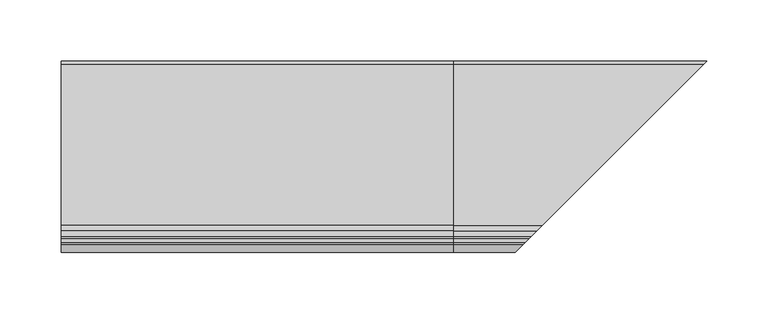
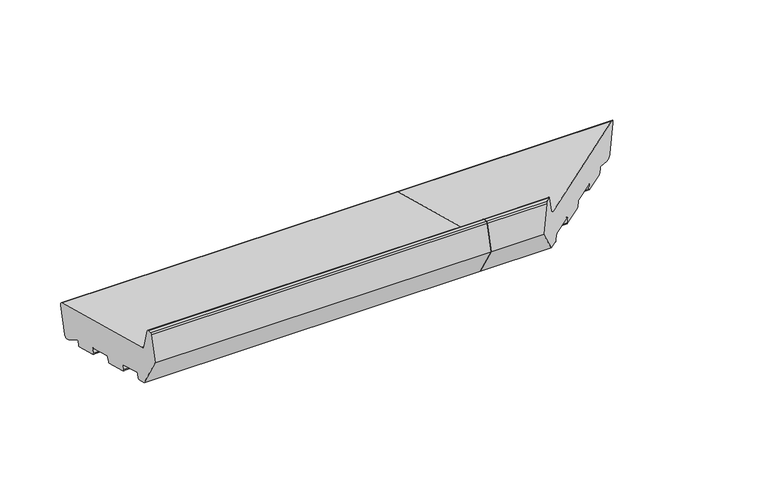
"""IFC4 building model written with IfcOpenShell, lengths in millimetres: proxy geometry."""

from ifc_helpers import new_model, si_unit, point, frame, frame_2d, origin, place, context, project, spatial, polyline, circle_curve, ellipse_curve, trimmed, segment, composite_curve, outline, extrude, source, transform, mapped, element, save
from ifc_brep_helpers import plane_surface, cylinder_surface, revolved_surface, advanced_brep


def generic_models_265c143c(model_context):
    return source(origin(), model_context, "Body", "SolidModel", [
        advanced_brep(
        [(320.0, 24.4386976, 5.4869469), (320.0, 21.7219201, 6.2149052), (320.0, 7.5536904, 14.8023515), (320.0, 6.0694345, 14.2059898), (320.0, 5.1201811, 10.6633278), (320.0, 3.8954362, 9.956221), (320.0, -18.3208578, 15.909059), (320.0, -19.0279645, 17.1338039), (320.0, -17.9926884, 20.9975072), (320.0, -18.6997951, 22.2222521), (320.0, -41.882015, 28.4339092), (320.0, -43.1067598, 27.7268024), (320.0, -44.142036, 23.8630991), (320.0, -45.3667809, 23.1559923), (320.0, -67.5830749, 29.1088303), (320.0, -68.2901817, 30.3335752), (320.0, -67.2549055, 34.1972785), (320.0, -67.9620123, 35.4220234), (320.0, -91.1442321, 41.6336805), (320.0, -92.368977, 40.9265737), (320.0, -93.4042532, 37.0628704), (320.0, -94.628998, 36.3557636), (320.0, -103.3223305, 38.685135), (320.0, -121.0, 69.3037568), (320.0, -114.4291321, 93.8265696), (320.0, -112.9802434, 94.9383411), (320.0, -109.6368689, 94.9383411), (320.0, -108.1879801, 93.8265696), (320.0, -103.4052841, 75.9773049), (320.0, -99.1626434, 71.7346642), (320.0, 32.7209071, 36.3965733), (320.0, 34.8422274, 32.7223387), (320.0, 28.1129323, 7.6082672), (519.1129323, 28.1129323, 7.6082672), (515.4386976, 24.4386976, 5.4869469), (525.8422274, 34.8422274, 32.7223387), (523.7209071, 32.7209071, 36.3965733), (391.8373566, -99.1626434, 71.7346642), (387.5947159, -103.4052841, 75.9773049), (382.8120199, -108.1879801, 93.8265696), (381.3631311, -109.6368689, 94.9383411), (378.0197566, -112.9802434, 94.9383411), (376.5708679, -114.4291321, 93.8265696), (370.0, -121.0, 69.3037568), (387.6776695, -103.3223305, 38.685135), (396.371002, -94.628998, 36.3557636), (397.5957468, -93.4042532, 37.0628704), (398.631023, -92.368977, 40.9265737), (399.8557679, -91.1442321, 41.6336805), (423.0379877, -67.9620123, 35.4220234), (423.7450945, -67.2549055, 34.1972785), (422.7098183, -68.2901817, 30.3335752), (423.4169251, -67.5830749, 29.1088303), (445.6332191, -45.3667809, 23.1559923), (446.857964, -44.142036, 23.8630991), (447.8932402, -43.1067598, 27.7268024), (449.117985, -41.882015, 28.4339092), (512.7219201, 21.7219201, 6.2149052), (472.3002049, -18.6997951, 22.2222521), (472.6791422, -18.3208578, 15.909059), (471.9720355, -19.0279645, 17.1338039), (473.0073116, -17.9926884, 20.9975072), (494.8954362, 3.8954362, 9.956221), (496.1201811, 5.1201811, 10.6633278), (497.0694345, 6.0694345, 14.2059898), (498.5536904, 7.5536904, 14.8023515)],
        [
            (0, 1),
            (1, 2),
            (2, 3, circle_curve(frame((320.0, 7.0353604, 13.9471708), z_axis=(1.0, 0.0, 0.0), x_axis=(0.0, 1.0, 0.0)), 1.0)),
            (3, 4),
            (4, 5, circle_curve(frame((320.0, 4.1542553, 10.9221468), z_axis=(-1.0, 0.0, 0.0), x_axis=(0.0, 1.0, 0.0)), 1.0)),
            (5, 6),
            (6, 7, circle_curve(frame((320.0, -18.0620387, 16.8749849), z_axis=(-1.0, 0.0, 0.0), x_axis=(0.0, 1.0, 0.0)), 1.0)),
            (7, 8),
            (8, 9, circle_curve(frame((320.0, -18.9586142, 21.2563263), z_axis=(1.0, 0.0, 0.0), x_axis=(0.0, 1.0, 0.0)), 1.0)),
            (9, 10),
            (10, 11, circle_curve(frame((320.0, -42.140834, 27.4679833), z_axis=(1.0, 0.0, 0.0), x_axis=(0.0, 1.0, 0.0)), 1.0)),
            (11, 12),
            (12, 13, circle_curve(frame((320.0, -45.1079618, 24.1219181), z_axis=(-1.0, 0.0, 0.0), x_axis=(0.0, 1.0, 0.0)), 1.0)),
            (13, 14),
            (14, 15, circle_curve(frame((320.0, -67.3242559, 30.0747562), z_axis=(-1.0, 0.0, 0.0), x_axis=(0.0, 1.0, 0.0)), 1.0)),
            (15, 16),
            (16, 17, circle_curve(frame((320.0, -68.2208313, 34.4560976), z_axis=(1.0, 0.0, 0.0), x_axis=(0.0, 1.0, 0.0)), 1.0)),
            (17, 18),
            (18, 19, circle_curve(frame((320.0, -91.4030512, 40.6677546), z_axis=(1.0, 0.0, 0.0), x_axis=(0.0, 1.0, 0.0)), 1.0)),
            (19, 20),
            (20, 21, circle_curve(frame((320.0, -94.370179, 37.3216894), z_axis=(-1.0, 0.0, 0.0), x_axis=(0.0, 1.0, 0.0)), 1.0)),
            (21, 22),
            (22, 23),
            (23, 24),
            (24, 25, circle_curve(frame((320.0, -112.9802434, 93.4383411), z_axis=(-1.0, 0.0, 0.0), x_axis=(0.0, 1.0, 0.0)), 1.5)),
            (25, 26),
            (26, 27, circle_curve(frame((320.0, -109.6368689, 93.4383411), z_axis=(-1.0, 0.0, 0.0), x_axis=(0.0, 1.0, 0.0)), 1.5)),
            (27, 28),
            (28, 29, circle_curve(frame((320.0, -97.6097291, 77.5302191), z_axis=(1.0, 0.0, 0.0), x_axis=(0.0, 1.0, 0.0)), 6.0)),
            (29, 30),
            (30, 31, circle_curve(frame((320.0, 31.94445, 33.4987958), z_axis=(-1.0, 0.0, 0.0), x_axis=(0.0, 1.0, 0.0)), 3.0)),
            (31, 32),
            (32, 0, circle_curve(frame((320.0, 25.2151548, 8.3847244), z_axis=(-1.0, 0.0, 0.0), x_axis=(0.0, 1.0, 0.0)), 3.0)),
            (32, 33),
            (33, 34, ellipse_curve(frame((516.2151548, 25.2151548, 8.3847244), z_axis=(-0.707106781186548, 0.7071067811865471, 0.0), x_axis=(0.707106781186547, 0.707106781186548, 0.0)), 4.2426407, 3.0)),
            (34, 0),
            (31, 35),
            (35, 33),
            (30, 36),
            (36, 35, ellipse_curve(frame((522.94445, 31.94445, 33.4987958), z_axis=(-0.707106781186548, 0.7071067811865471, 0.0), x_axis=(0.707106781186547, 0.707106781186548, 0.0)), 4.2426407, 3.0)),
            (29, 37),
            (37, 36),
            (28, 38),
            (38, 37, ellipse_curve(frame((393.3902709, -97.6097291, 77.5302191), z_axis=(0.707106781186548, -0.7071067811865471, 0.0), x_axis=(-0.707106781186547, -0.707106781186548, 0.0)), 8.4852814, 6.0)),
            (27, 39),
            (39, 38),
            (26, 40),
            (40, 39, ellipse_curve(frame((381.3631311, -109.6368689, 93.4383411), z_axis=(-0.707106781186548, 0.7071067811865471, 0.0), x_axis=(0.707106781186547, 0.707106781186548, 0.0)), 2.1213203, 1.5)),
            (25, 41),
            (41, 40),
            (24, 42),
            (42, 41, ellipse_curve(frame((378.0197566, -112.9802434, 93.4383411), z_axis=(-0.707106781186548, 0.7071067811865471, 0.0), x_axis=(0.707106781186547, 0.707106781186548, 0.0)), 2.1213203, 1.5)),
            (23, 43),
            (43, 42),
            (22, 44),
            (44, 43),
            (21, 45),
            (45, 44),
            (20, 46),
            (46, 45, ellipse_curve(frame((396.629821, -94.370179, 37.3216894), z_axis=(-0.707106781186548, 0.7071067811865471, 0.0), x_axis=(0.707106781186547, 0.707106781186548, 0.0)), 1.4142136, 1.0)),
            (19, 47),
            (47, 46),
            (18, 48),
            (48, 47, ellipse_curve(frame((399.5969488, -91.4030512, 40.6677546), z_axis=(0.707106781186548, -0.7071067811865471, 0.0), x_axis=(-0.707106781186547, -0.707106781186548, 0.0)), 1.4142136, 1.0)),
            (17, 49),
            (49, 48),
            (16, 50),
            (50, 49, ellipse_curve(frame((422.7791687, -68.2208313, 34.4560976), z_axis=(0.707106781186548, -0.7071067811865471, 0.0), x_axis=(-0.707106781186547, -0.707106781186548, 0.0)), 1.4142136, 1.0)),
            (15, 51),
            (51, 50),
            (14, 52),
            (52, 51, ellipse_curve(frame((423.6757441, -67.3242559, 30.0747562), z_axis=(-0.707106781186548, 0.7071067811865471, 0.0), x_axis=(0.707106781186547, 0.707106781186548, 0.0)), 1.4142136, 1.0)),
            (13, 53),
            (53, 52),
            (12, 54),
            (54, 53, ellipse_curve(frame((445.8920382, -45.1079618, 24.1219181), z_axis=(-0.707106781186548, 0.7071067811865471, 0.0), x_axis=(0.707106781186547, 0.707106781186548, 0.0)), 1.4142136, 1.0)),
            (11, 55),
            (55, 54),
            (10, 56),
            (56, 55, ellipse_curve(frame((448.859166, -42.140834, 27.4679833), z_axis=(0.707106781186548, -0.7071067811865471, 0.0), x_axis=(-0.707106781186547, -0.707106781186548, 0.0)), 1.4142136, 1.0)),
            (34, 57),
            (57, 1),
            (9, 58),
            (58, 56),
            (6, 59),
            (59, 60, ellipse_curve(frame((472.9379613, -18.0620387, 16.8749849), z_axis=(-0.707106781186548, 0.7071067811865471, 0.0), x_axis=(0.707106781186547, 0.707106781186548, 0.0)), 1.4142136, 1.0)),
            (60, 7),
            (60, 61),
            (61, 8),
            (61, 58, ellipse_curve(frame((472.0413858, -18.9586142, 21.2563263), z_axis=(0.707106781186548, -0.7071067811865471, 0.0), x_axis=(-0.707106781186547, -0.707106781186548, 0.0)), 1.4142136, 1.0)),
            (5, 62),
            (62, 59),
            (4, 63),
            (63, 62, ellipse_curve(frame((495.1542553, 4.1542553, 10.9221468), z_axis=(-0.707106781186548, 0.7071067811865471, 0.0), x_axis=(0.707106781186547, 0.707106781186548, 0.0)), 1.4142136, 1.0)),
            (3, 64),
            (64, 63),
            (2, 65),
            (65, 64, ellipse_curve(frame((498.0353604, 7.0353604, 13.9471708), z_axis=(0.707106781186548, -0.7071067811865471, 0.0), x_axis=(-0.707106781186547, -0.707106781186548, 0.0)), 1.4142136, 1.0)),
            (57, 65),
        ],
        [
            plane_surface(frame((320.0, 0.0, 0.0), z_axis=(-1.0, 0.0, 0.0), x_axis=(0.0, 0.0, 1.0))),
            cylinder_surface(frame((526.3741644, 25.2151548, 8.3847244), z_axis=(1.0, 0.0, 0.0), x_axis=(0.0, 1.0, 0.0)), 3.0),
            plane_surface(frame((526.3741644, 34.8422274, 32.7223387), z_axis=(0.0, 0.9659258262890686, -0.2588190451025195), x_axis=(-1.0, 0.0, 0.0))),
            cylinder_surface(frame((526.3741644, 31.94445, 33.4987958), z_axis=(1.0, 0.0, 0.0), x_axis=(0.0, 1.0, 0.0)), 3.0),
            plane_surface(frame((526.3741644, -99.1626434, 71.7346642), z_axis=(0.0, 0.2588190451025208, 0.9659258262890683), x_axis=(-1.0, 0.0, 0.0))),
            revolved_surface(polyline([(320.0, -91.6097291, 77.5302191), (399.39027091821606, -91.6097291, 77.5302191)]), (526.3741644, -97.6097291, 77.5302191), (-1.0, 0.0, 0.0)),
            plane_surface(frame((526.3741644, -108.1879801, 93.8265696), z_axis=(0.0, 0.9659258262890682, 0.2588190451025212), x_axis=(-1.0, 0.0, 0.0))),
            cylinder_surface(frame((526.3741644, -109.6368689, 93.4383411), z_axis=(1.0, 0.0, 0.0), x_axis=(0.0, 1.0, 0.0)), 1.5),
            plane_surface(frame((526.3741644, -112.9802434, 94.9383411), z_axis=(0.0, 0.0, 1.0), x_axis=(-1.0, 0.0, 0.0))),
            cylinder_surface(frame((526.3741644, -112.9802434, 93.4383411), z_axis=(1.0, 0.0, 0.0), x_axis=(0.0, 1.0, 0.0)), 1.5),
            plane_surface(frame((526.3741644, -121.0, 69.3037568), z_axis=(0.0, -0.9659258262890684, 0.2588190451025204), x_axis=(-1.0, 0.0, 0.0))),
            plane_surface(frame((526.3741644, -103.3223305, 38.685135), z_axis=(0.0, -0.8660254037844387, -0.4999999999999999), x_axis=(-1.0, 0.0, 0.0))),
            plane_surface(frame((526.3741644, -94.628998, 36.3557636), z_axis=(0.0, -0.2588190451025165, -0.9659258262890695), x_axis=(-1.0, 0.0, 0.0))),
            cylinder_surface(frame((526.3741644, -94.370179, 37.3216894), z_axis=(1.0, 0.0, 0.0), x_axis=(0.0, 1.0, 0.0)), 1.0),
            plane_surface(frame((526.3741644, -92.368977, 40.9265737), z_axis=(0.0, 0.9659258262890698, -0.2588190451025152), x_axis=(-1.0, 0.0, 0.0))),
            revolved_surface(polyline([(320.0, -90.4030512, 40.6677546), (400.59694882660625, -90.4030512, 40.6677546)]), (526.3741644, -91.4030512, 40.6677546), (-1.0, 0.0, 0.0)),
            plane_surface(frame((526.3741644, -67.9620123, 35.4220234), z_axis=(0.0, -0.2588190451025194, -0.9659258262890686), x_axis=(-1.0, 0.0, 0.0))),
            revolved_surface(polyline([(320.0, -67.2208313, 34.4560976), (423.77916872660626, -67.2208313, 34.4560976)]), (526.3741644, -68.2208313, 34.4560976), (-1.0, 0.0, 0.0)),
            plane_surface(frame((526.3741644, -68.2901817, 30.3335752), z_axis=(0.0, -0.9659258262890703, 0.25881904510251325), x_axis=(-1.0, 0.0, 0.0))),
            cylinder_surface(frame((526.3741644, -67.3242559, 30.0747562), z_axis=(1.0, 0.0, 0.0), x_axis=(0.0, 1.0, 0.0)), 1.0),
            plane_surface(frame((526.3741644, -45.3667809, 23.1559923), z_axis=(0.0, -0.2588190451025213, -0.9659258262890682), x_axis=(-1.0, 0.0, 0.0))),
            cylinder_surface(frame((526.3741644, -45.1079618, 24.1219181), z_axis=(1.0, 0.0, 0.0), x_axis=(0.0, 1.0, 0.0)), 1.0),
            plane_surface(frame((526.3741644, -43.1067598, 27.7268024), z_axis=(0.0, 0.9659258262890698, -0.2588190451025152), x_axis=(-1.0, 0.0, 0.0))),
            revolved_surface(polyline([(320.0, -41.140834, 27.4679833), (449.85916602660626, -41.140834, 27.4679833)]), (526.3741644, -42.140834, 27.4679833), (-1.0, 0.0, 0.0)),
            plane_surface(frame((526.3741644, 24.4386976, 5.4869469), z_axis=(0.0, -0.25881904510252585, -0.9659258262890669), x_axis=(-1.0, 0.0, 0.0))),
            plane_surface(frame((526.3741644, -18.6997951, 22.2222521), z_axis=(0.0, -0.25881904510252046, -0.9659258262890684), x_axis=(-1.0, 0.0, 0.0))),
            cylinder_surface(frame((526.3741644, -18.0620387, 16.8749849), z_axis=(1.0, 0.0, 0.0), x_axis=(0.0, 1.0, 0.0)), 1.0),
            plane_surface(frame((526.3741644, -19.0279645, 17.1338039), z_axis=(0.0, -0.9659258262890703, 0.25881904510251325), x_axis=(-1.0, 0.0, 0.0))),
            revolved_surface(polyline([(320.0, -17.9586142, 21.2563263), (473.04138582660624, -17.9586142, 21.2563263)]), (526.3741644, -18.9586142, 21.2563263), (-1.0, 0.0, 0.0)),
            plane_surface(frame((526.3741644, 3.8954362, 9.956221), z_axis=(0.0, -0.2588190451025213, -0.9659258262890682), x_axis=(-1.0, 0.0, 0.0))),
            cylinder_surface(frame((526.3741644, 4.1542553, 10.9221468), z_axis=(1.0, 0.0, 0.0), x_axis=(0.0, 1.0, 0.0)), 1.0),
            plane_surface(frame((526.3741644, 6.0694345, 14.2059898), z_axis=(0.0, 0.965925826289068, -0.2588190451025223), x_axis=(-1.0, 0.0, 0.0))),
            revolved_surface(polyline([(320.0, 8.0353604, 13.9471708), (499.03536042660625, 8.0353604, 13.9471708)]), (526.3741644, 7.0353604, 13.9471708), (-1.0, 0.0, 0.0)),
            plane_surface(frame((526.3741644, 21.7219201, 6.2149052), z_axis=(0.0, -0.5183299834329756, -0.8551806991942529), x_axis=(-1.0, 0.0, 0.0))),
            plane_surface(frame((472.2045815, -18.7954185, 0.0), z_axis=(0.707106781186548, -0.7071067811865471, 0.0), x_axis=(0.0, 0.0, 1.0))),
        ],
        [
            (0, [[1, 2, 3, 4, 5, 6, 7, 8, 9, 10, 11, 12, 13, 14, 15, 16, 17, 18, 19, 20, 21, 22, 23, 24, 25, 26, 27, 28, 29, 30, 31, 32, 33]]),
            (1, [[34, 35, 36, -33]]),
            (2, [[37, 38, -34, -32]]),
            (3, [[39, 40, -37, -31]]),
            (4, [[41, 42, -39, -30]]),
            (5, [[43, 44, -41, -29]]),
            (6, [[45, 46, -43, -28]]),
            (7, [[47, 48, -45, -27]]),
            (8, [[49, 50, -47, -26]]),
            (9, [[51, 52, -49, -25]]),
            (10, [[53, 54, -51, -24]]),
            (11, [[55, 56, -53, -23]]),
            (12, [[57, 58, -55, -22]]),
            (13, [[59, 60, -57, -21]]),
            (14, [[61, 62, -59, -20]]),
            (15, [[63, 64, -61, -19]]),
            (16, [[65, 66, -63, -18]]),
            (17, [[67, 68, -65, -17]]),
            (18, [[69, 70, -67, -16]]),
            (19, [[71, 72, -69, -15]]),
            (20, [[73, 74, -71, -14]]),
            (21, [[75, 76, -73, -13]]),
            (22, [[77, 78, -75, -12]]),
            (23, [[79, 80, -77, -11]]),
            (24, [[-36, 81, 82, -1]]),
            (25, [[83, 84, -79, -10]]),
            (26, [[85, 86, 87, -7]]),
            (27, [[-87, 88, 89, -8]]),
            (28, [[-89, 90, -83, -9]]),
            (29, [[91, 92, -85, -6]]),
            (30, [[93, 94, -91, -5]]),
            (31, [[95, 96, -93, -4]]),
            (32, [[97, 98, -95, -3]]),
            (33, [[-82, 99, -97, -2]]),
            (34, [[-38, -40, -42, -44, -46, -48, -50, -52, -54, -56, -58, -60, -62, -64, -66, -68, -70, -72, -74, -76, -78, -80, -84, -90, -88, -86, -92, -94, -96, -98, -99, -81, -35]]),
        ],
    ),
        extrude(outline(composite_curve([segment(polyline([(24.4386976, 5.4869469), (21.7219201, 6.2149052), (7.5536904, 14.8023515)]), True, "CONTINUOUS"), segment(trimmed(circle_curve(frame_2d((7.0353604, 13.9471708)), 1.0), [point((7.5536904, 14.8023515))], [point((6.0694345, 14.2059898))], True, "CARTESIAN"), True, "CONTINUOUS"), segment(polyline([(6.0694345, 14.2059898), (5.1201811, 10.6633278)]), True, "CONTINUOUS"), segment(trimmed(circle_curve(frame_2d((4.1542553, 10.9221468)), 1.0), [point((5.1201811, 10.6633278))], [point((3.8954362, 9.956221))], False, "CARTESIAN"), True, "CONTINUOUS"), segment(polyline([(3.8954362, 9.956221), (-18.3208578, 15.909059)]), True, "CONTINUOUS"), segment(trimmed(circle_curve(frame_2d((-18.0620387, 16.8749849)), 1.0), [point((-18.3208578, 15.909059))], [point((-19.0279645, 17.1338039))], False, "CARTESIAN"), True, "CONTINUOUS"), segment(polyline([(-19.0279645, 17.1338039), (-17.9926884, 20.9975072)]), True, "CONTINUOUS"), segment(trimmed(circle_curve(frame_2d((-18.9586142, 21.2563263)), 1.0), [point((-17.9926884, 20.9975072))], [point((-18.6997951, 22.2222521))], True, "CARTESIAN"), True, "CONTINUOUS"), segment(polyline([(-18.6997951, 22.2222521), (-41.882015, 28.4339092)]), True, "CONTINUOUS"), segment(trimmed(circle_curve(frame_2d((-42.140834, 27.4679833)), 1.0), [point((-41.882015, 28.4339092))], [point((-43.1067598, 27.7268024))], True, "CARTESIAN"), True, "CONTINUOUS"), segment(polyline([(-43.1067598, 27.7268024), (-44.142036, 23.8630991)]), True, "CONTINUOUS"), segment(trimmed(circle_curve(frame_2d((-45.1079618, 24.1219181)), 1.0), [point((-44.142036, 23.8630991))], [point((-45.3667809, 23.1559923))], False, "CARTESIAN"), True, "CONTINUOUS"), segment(polyline([(-45.3667809, 23.1559923), (-67.5830749, 29.1088303)]), True, "CONTINUOUS"), segment(trimmed(circle_curve(frame_2d((-67.3242559, 30.0747562)), 1.0), [point((-67.5830749, 29.1088303))], [point((-68.2901817, 30.3335752))], False, "CARTESIAN"), True, "CONTINUOUS"), segment(polyline([(-68.2901817, 30.3335752), (-67.2549055, 34.1972785)]), True, "CONTINUOUS"), segment(trimmed(circle_curve(frame_2d((-68.2208313, 34.4560976)), 1.0), [point((-67.2549055, 34.1972785))], [point((-67.9620123, 35.4220234))], True, "CARTESIAN"), True, "CONTINUOUS"), segment(polyline([(-67.9620123, 35.4220234), (-91.1442321, 41.6336805)]), True, "CONTINUOUS"), segment(trimmed(circle_curve(frame_2d((-91.4030512, 40.6677546)), 1.0), [point((-91.1442321, 41.6336805))], [point((-92.368977, 40.9265737))], True, "CARTESIAN"), True, "CONTINUOUS"), segment(polyline([(-92.368977, 40.9265737), (-93.4042532, 37.0628704)]), True, "CONTINUOUS"), segment(trimmed(circle_curve(frame_2d((-94.370179, 37.3216894)), 1.0), [point((-93.4042532, 37.0628704))], [point((-94.628998, 36.3557636))], False, "CARTESIAN"), True, "CONTINUOUS"), segment(polyline([(-94.628998, 36.3557636), (-103.3223305, 38.685135), (-121.0, 69.3037568), (-114.4291321, 93.8265696)]), True, "CONTINUOUS"), segment(trimmed(circle_curve(frame_2d((-112.9802434, 93.4383411)), 1.5), [point((-114.4291321, 93.8265696))], [point((-112.9802434, 94.9383411))], False, "CARTESIAN"), True, "CONTINUOUS"), segment(polyline([(-112.9802434, 94.9383411), (-109.6368689, 94.9383411)]), True, "CONTINUOUS"), segment(trimmed(circle_curve(frame_2d((-109.6368689, 93.4383411)), 1.5), [point((-109.6368689, 94.9383411))], [point((-108.1879801, 93.8265696))], False, "CARTESIAN"), True, "CONTINUOUS"), segment(polyline([(-108.1879801, 93.8265696), (-103.4052841, 75.9773049)]), True, "CONTINUOUS"), segment(trimmed(circle_curve(frame_2d((-97.6097291, 77.5302191)), 6.0), [point((-103.4052841, 75.9773049))], [point((-99.1626434, 71.7346642))], True, "CARTESIAN"), True, "CONTINUOUS"), segment(polyline([(-99.1626434, 71.7346642), (32.7209071, 36.3965733)]), True, "CONTINUOUS"), segment(trimmed(circle_curve(frame_2d((31.94445, 33.4987958)), 3.0), [point((32.7209071, 36.3965733))], [point((34.8422274, 32.7223387))], False, "CARTESIAN"), True, "CONTINUOUS"), segment(polyline([(34.8422274, 32.7223387), (28.1129323, 7.6082672)]), True, "CONTINUOUS"), segment(trimmed(circle_curve(frame_2d((25.2151548, 8.3847244)), 3.0), [point((28.1129323, 7.6082672))], [point((24.4386976, 5.4869469))], False, "CARTESIAN"), True, "CONTINUOUS")], self_intersect=False)), frame((0.0, 0.0, 0.0), z_axis=(1.0, 0.0, 0.0), x_axis=(0.0, 1.0, 0.0)), (0.0, 0.0, 1.0), 320.0),
    ])


if __name__ == "__main__":
    model = new_model("IFC4")
    model_context = context("Model", 3, world=origin())
    ifc_project = project(units=[si_unit("LENGTHUNIT", "METRE", prefix="MILLI")], contexts=[model_context])
    site = spatial("IfcSite", under=ifc_project)
    building = spatial("IfcBuilding", under=site)
    placement = place(None, origin())
    generic_models_shape = generic_models_265c143c(model_context)
    element("IfcBuildingElementProxy", 1, Name="Generic Models", at=placement, inside=building, context=model_context, shape_type="MappedRepresentation", body=[
        mapped(generic_models_shape, transform((0.0, 0.0, 0.0), x_axis=(1.0, 0.0, 0.0), y_axis=(0.0, 1.0, 0.0), z_axis=(0.0, 0.0, 1.0))),
    ])
    save(model, "model.ifc")
